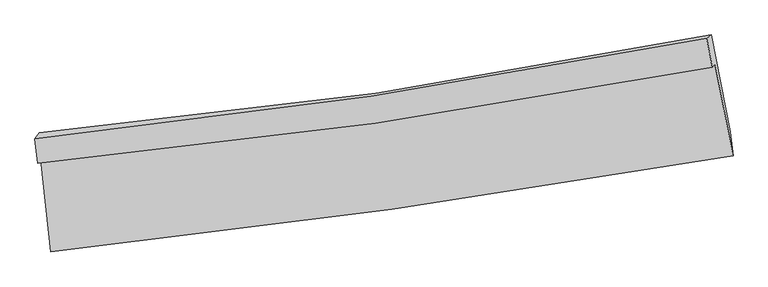
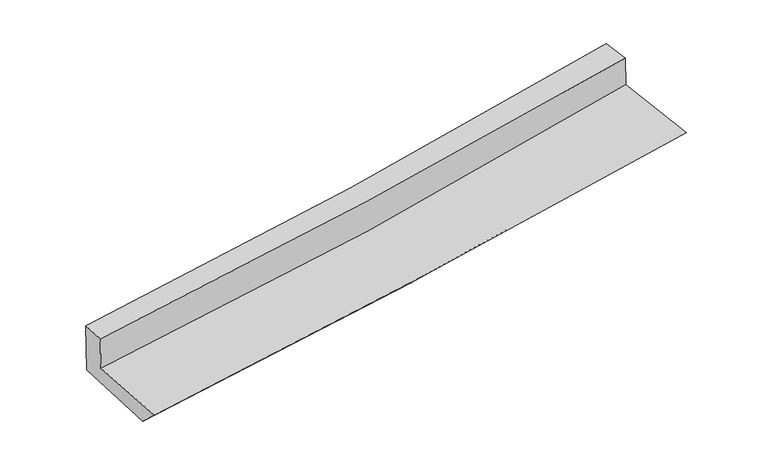
"""IFC4 building model written with IfcOpenShell, lengths in millimetres: proxy geometry."""

from ifc_helpers import new_model, si_unit, frame, origin, place, context, project, spatial, source, transform, mapped, element, save
from ifc_brep_helpers import plane_surface, spline_curve, spline_surface, advanced_brep


def generic_models_06cdb8f0(model_context):
    return source(origin(), model_context, "Body", "AdvancedBrep", [
        advanced_brep(
        [(-2290.29748, -1830.4682194, 1739.8689078), (-2223.2823677, -2449.3775204, 1697.6078882), (2363.3894816, -1805.2917479, 2074.6868516), (2241.4219593, -1186.7977168, 2142.9176178), (-2310.1348438, -1855.9109702, 2010.659196), (2223.7923079, -1209.4089283, 2383.5714887), (-2328.5198806, -1688.3802692, 2025.0531067), (2185.5923472, -1012.928006, 2399.2338992), (-2298.9662735, -1650.4757839, 1621.6310657), (2217.5496966, -992.0150612, 2004.3618742), (-2227.2666109, -2293.6113191, 1552.8500449), (2345.2409263, -1642.3297919, 1938.6900242)],
        [
            (0, 1),
            (1, 2, spline_curve(3, [(-2223.2823677, -2449.3775204, 1697.6078882), (-1457.116095144, -2366.602321718, 1763.024783558), (-692.476400155, -2271.656153339, 1827.103842205), (836.424937977, -2057.046376619, 1952.806225835), (1600.675859405, -1937.297287295, 2014.420155058), (2363.3894816, -1805.2917479, 2074.6868516)], [4, 2, 4], [0.0, 7.5685814175616555, 15.163694604292273])),
            (2, 3),
            (3, 0, spline_curve(3, [(2241.4219593, -1186.7977168, 2142.9176178), (1490.172958177, -1327.289688826, 2067.785004698), (736.239723935, -1451.239842938, 1996.579397), (-774.352143416, -1665.681308713, 1862.257215216), (-1530.992055355, -1756.287989067, 1799.113252891), (-2290.29748, -1830.4682194, 1739.8689078)], [4, 2, 4], [0.0, 7.595113186730617, 15.163694604292273])),
            (4, 0),
            (3, 5),
            (5, 4, spline_curve(3, [(2223.7923079, -1209.4089283, 2383.5714887), (1471.455788101, -1351.295715984, 2323.284069315), (716.795125291, -1476.1788458, 2262.008235375), (-794.530134363, -1691.560937247, 2137.697244159), (-1551.178522462, -1782.178488057, 2074.66898047), (-2310.1348438, -1855.9109702, 2010.659196)], [4, 2, 4], [0.0, 7.55292506065467, 15.079465726589607])),
            (6, 4),
            (5, 7),
            (7, 6, spline_curve(3, [(2185.5923472, -1012.928006, 2399.2338992), (1437.353002548, -1161.947808451, 2338.576428174), (686.394370094, -1292.812173503, 2277.009813538), (-818.328671004, -1517.836305759, 2152.276542255), (-1572.074114495, -1612.122695329, 2089.116225928), (-2328.5198806, -1688.3802692, 2025.0531067)], [4, 2, 4], [0.0, 7.540604857434328, 15.054868357925967])),
            (8, 6),
            (7, 9),
            (9, 8, spline_curve(3, [(2217.5496966, -992.0150612, 2004.3618742), (1470.079378061, -1143.41528249, 1934.836726725), (719.303572543, -1274.046853175, 1868.129034905), (-786.224804564, -1493.388913153, 1740.57174884), (-1540.954322135, -1582.244250008, 1679.702504295), (-2298.9662735, -1650.4757839, 1621.6310657)], [4, 2, 4], [0.0, 7.529168899570733, 15.032036391069425])),
            (10, 8),
            (9, 11),
            (11, 10, spline_curve(3, [(2345.2409263, -1642.3297919, 1938.6900242), (1585.999987132, -1778.138601948, 1870.135202416), (824.666862547, -1900.387745616, 1803.65181983), (-699.516908007, -2117.387018464, 1675.05294018), (-1462.352962499, -2212.231717105, 1612.922996651), (-2227.2666109, -2293.6113191, 1552.8500449)], [4, 2, 4], [0.0, 7.573792917807034, 15.121128543867602])),
            (1, 10),
            (11, 2),
        ],
        [
            spline_surface(3, 3, [[(-2290.29748, -1830.4682194, 1739.8689078), (-1530.992055412, -1756.287989048, 1799.11325287), (-774.352143317, -1665.681308835, 1862.257215233), (736.239723835, -1451.239842815, 1996.579396984), (1490.172958213, -1327.289688794, 2067.785004622), (2241.4219593, -1186.7977168, 2142.9176178)], [(-2267.959109228, -2036.771319737, 1725.781901284), (-1506.366735278, -1959.726099974, 1787.083763101), (-747.060228917, -1867.672923688, 1850.539424176), (769.63479521, -1653.175354035, 1981.988339958), (1527.007258662, -1530.625554983, 2049.99672148), (2282.077800094, -1392.962393824, 2120.174029076)], [(-2245.620738472, -2243.074420063, 1711.694894716), (-1481.74141516, -2163.164210889, 1775.05427328), (-719.768314527, -2069.664538585, 1838.821633155), (803.029866573, -1855.1108653, 1967.397282968), (1563.84155903, -1733.961421199, 2032.208438312), (2322.733640806, -1599.127070876, 2097.430440324)], [(-2223.2823677, -2449.3775204, 1697.6078882), (-1457.116095026, -2366.602321815, 1763.024783511), (-692.476400126, -2271.656153438, 1827.103842099), (836.424937948, -2057.04637652, 1952.806225942), (1600.675859479, -1937.297287388, 2014.420155171), (2363.3894816, -1805.2917479, 2074.6868516)]], [4, 4], [4, 2, 4], [0.0, 2.0143238701409074], [0.0, 7.5685814175616555, 15.163694604292273]),
            spline_surface(3, 3, [[(-2310.1348438, -1855.9109702, 2010.659196), (-1551.178522412, -1782.178488141, 2074.668980539), (-794.53013448, -1691.560937245, 2137.697244221), (716.795125409, -1476.178845801, 2262.008235313), (1471.455788096, -1351.295716064, 2323.284069212), (2223.7923079, -1209.4089283, 2383.5714887)], [(-2303.522389204, -1847.430053247, 1920.39576658), (-1544.449700083, -1773.548321757, 1982.817071296), (-787.804137412, -1682.934394448, 2045.883901247), (723.276658231, -1467.865844812, 2173.531955892), (1477.694844803, -1343.293706971, 2238.117714335), (2229.668858369, -1201.871857798, 2303.35353172)], [(-2296.909934596, -1838.949136353, 1830.13233722), (-1537.720877741, -1764.918155432, 1890.965162113), (-781.078140385, -1674.307851632, 1954.070558207), (729.758191012, -1459.552843804, 2085.055676405), (1483.933901505, -1335.291697886, 2152.951359499), (2235.545408831, -1194.334787302, 2223.13557478)], [(-2290.29748, -1830.4682194, 1739.8689078), (-1530.992055412, -1756.287989048, 1799.11325287), (-774.352143317, -1665.681308835, 1862.257215233), (736.239723835, -1451.239842815, 1996.579396984), (1490.172958213, -1327.289688794, 2067.785004622), (2241.4219593, -1186.7977168, 2142.9176178)]], [4, 4], [4, 2, 4], [0.0, 0.8934689705258582], [0.0, 7.526540665934937, 15.079465726589607]),
            spline_surface(3, 3, [[(-2328.5198806, -1688.3802692, 2025.0531067), (-1572.07411451, -1612.122695256, 2089.116225814), (-818.328671037, -1517.836305781, 2152.276542156), (686.394370127, -1292.81217348, 2277.009813638), (1437.353002569, -1161.947808527, 2338.576428173), (2185.5923472, -1012.928006, 2399.2338992)], [(-2322.391534982, -1744.223836227, 2020.25513647), (-1565.108917126, -1668.807959578, 2084.300477393), (-810.39582553, -1575.744516273, 2147.416776178), (696.527955209, -1353.934397591, 2272.00928753), (1448.720597728, -1225.063777718, 2333.478975204), (2198.325667416, -1078.421646779, 2394.013095718)], [(-2316.263189418, -1800.067403173, 2015.45716623), (-1558.143719796, -1725.493223819, 2079.48472896), (-802.462979987, -1633.652726754, 2142.557010199), (706.661540326, -1415.05662169, 2267.008761421), (1460.088192938, -1288.179746872, 2328.381522181), (2211.058987684, -1143.915287521, 2388.792292182)], [(-2310.1348438, -1855.9109702, 2010.659196), (-1551.178522412, -1782.178488141, 2074.668980539), (-794.53013448, -1691.560937245, 2137.697244221), (716.795125409, -1476.178845801, 2262.008235313), (1471.455788096, -1351.295716064, 2323.284069212), (2223.7923079, -1209.4089283, 2383.5714887)]], [4, 4], [4, 2, 4], [0.0, 0.5945328586708597], [0.0, 7.514263500491639, 15.054868357925967]),
            spline_surface(3, 3, [[(-2298.9662735, -1650.4757839, 1621.6310657), (-1540.954322214, -1582.244250019, 1679.702504301), (-786.224804477, -1493.388913205, 1740.571748724), (719.303572455, -1274.046853123, 1868.129035021), (1470.079378096, -1143.415282407, 1934.83672675), (2217.5496966, -992.0150612, 2004.3618742)], [(-2308.817475869, -1663.110612309, 1756.105079376), (-1551.327586315, -1592.20373174, 1816.173744814), (-796.926093334, -1501.538044053, 1877.806679851), (708.333838342, -1280.301959898, 2004.422627877), (1459.170586265, -1149.592791122, 2069.416627204), (2206.897246812, -998.986042808, 2135.985882514)], [(-2318.668678231, -1675.745440791, 1890.579093024), (-1561.700850409, -1602.163213535, 1952.644985301), (-807.627382179, -1509.687174933, 2015.041611028), (697.36410424, -1286.557066705, 2140.716220782), (1448.2617944, -1155.770299812, 2203.996527718), (2196.244796988, -1005.957024392, 2267.609890886)], [(-2328.5198806, -1688.3802692, 2025.0531067), (-1572.07411451, -1612.122695256, 2089.116225814), (-818.328671037, -1517.836305781, 2152.276542156), (686.394370127, -1292.81217348, 2277.009813638), (1437.353002569, -1161.947808527, 2338.576428173), (2185.5923472, -1012.928006, 2399.2338992)]], [4, 4], [4, 2, 4], [0.0, 1.3521648775862236], [0.0, 7.502867491498693, 15.032036391069425]),
            spline_surface(3, 3, [[(-2227.2666109, -2293.6113191, 1552.8500449), (-1462.352962538, -2212.23171717, 1612.92299656), (-699.516908063, -2117.387018432, 1675.052940242), (824.666862603, -1900.387745648, 1803.651819768), (1585.999987198, -1778.138602039, 1870.135202521), (2345.2409263, -1642.3297919, 1938.6900242)], [(-2251.166498435, -2079.232807362, 1575.777051823), (-1488.553415765, -2002.235894782, 1635.182832463), (-728.419540183, -1909.38765004, 1696.892543072), (789.545765904, -1691.607448157, 1825.144224855), (1547.359784158, -1566.564162166, 1891.702377262), (2302.677183061, -1425.558215004, 1960.580640864)], [(-2275.066385965, -1864.854295638, 1598.704058777), (-1514.753868988, -1792.240072407, 1657.442668397), (-757.322172356, -1701.388281597, 1718.732145894), (754.424669154, -1482.827150614, 1846.636629934), (1508.719581135, -1354.989722281, 1913.269552009), (2260.113439839, -1208.786638096, 1982.471257536)], [(-2298.9662735, -1650.4757839, 1621.6310657), (-1540.954322214, -1582.244250019, 1679.702504301), (-786.224804477, -1493.388913205, 1740.571748724), (719.303572455, -1274.046853123, 1868.129035021), (1470.079378096, -1143.415282407, 1934.83672675), (2217.5496966, -992.0150612, 2004.3618742)]], [4, 4], [4, 2, 4], [0.0, 2.0860975405653766], [0.0, 7.547335626060568, 15.121128543867602]),
            spline_surface(3, 3, [[(-2223.2823677, -2449.3775204, 1697.6078882), (-1457.116095026, -2366.602321815, 1763.024783511), (-692.476400126, -2271.656153438, 1827.103842099), (836.424937948, -2057.04637652, 1952.806225942), (1600.675859479, -1937.297287388, 2014.420155171), (2363.3894816, -1805.2917479, 2074.6868516)], [(-2224.610448782, -2397.455453318, 1649.355273767), (-1458.861717545, -2315.145453618, 1712.990854528), (-694.823236125, -2220.233108434, 1776.42020815), (832.50557948, -2004.826832895, 1903.088090554), (1595.783902034, -1884.244392258, 1966.325170963), (2357.339963149, -1750.971095887, 2029.354575808)], [(-2225.938529818, -2345.533386182, 1601.102659333), (-1460.607340019, -2263.688585366, 1662.956925543), (-697.170072065, -2168.810063436, 1725.736574191), (828.58622107, -1952.607289274, 1853.369955156), (1590.891944643, -1831.191497168, 1918.230186729), (2351.290444751, -1696.650443913, 1984.022299992)], [(-2227.2666109, -2293.6113191, 1552.8500449), (-1462.352962538, -2212.23171717, 1612.92299656), (-699.516908063, -2117.387018432, 1675.052940242), (824.666862603, -1900.387745648, 1803.651819768), (1585.999987198, -1778.138602039, 1870.135202521), (2345.2409263, -1642.3297919, 1938.6900242)]], [4, 4], [4, 2, 4], [0.0, 0.7108032430527037], [0.0, 7.600888811370915, 15.228422645936572]),
            plane_surface(frame((2262.8311198, -1308.128542, 2157.243626), z_axis=(0.9790339525443242, 0.1832546940620021, 0.08893951242097106), x_axis=(-0.08055499519686872, -0.0527153285036127, 0.9953552063909591))),
            plane_surface(frame((-2279.7445761, -1961.3706804, 1774.6117016), z_axis=(-0.9914105146147683, -0.10173732945587534, -0.08218702638778899), x_axis=(-0.1074029449817297, 0.9919058449208286, 0.06773036410022261))),
        ],
        [
            (0, [[1, 2, 3, 4]]),
            (1, [[5, -4, 6, 7]]),
            (2, [[8, -7, 9, 10]]),
            (3, [[11, -10, 12, 13]]),
            (4, [[14, -13, 15, 16]]),
            (5, [[17, -16, 18, -2]]),
            (6, [[-12, -9, -6, -3, -18, -15]]),
            (7, [[-1, -5, -8, -11, -14, -17]]),
        ],
    ),
    ])


if __name__ == "__main__":
    model = new_model("IFC4")
    model_context = context("Model", 3, world=origin())
    ifc_project = project(units=[si_unit("LENGTHUNIT", "METRE", prefix="MILLI")], contexts=[model_context])
    site = spatial("IfcSite", under=ifc_project)
    building = spatial("IfcBuilding", under=site)
    placement = place(None, origin())
    generic_models_shape = generic_models_06cdb8f0(model_context)
    element("IfcBuildingElementProxy", 1, Name="Generic Models", at=placement, inside=building, context=model_context, shape_type="MappedRepresentation", body=[
        mapped(generic_models_shape, transform((0.0, 0.0, 0.0), x_axis=(1.0, 0.0, 0.0), y_axis=(0.0, 1.0, 0.0), z_axis=(0.0, 0.0, 1.0))),
    ])
    save(model, "model.ifc")
